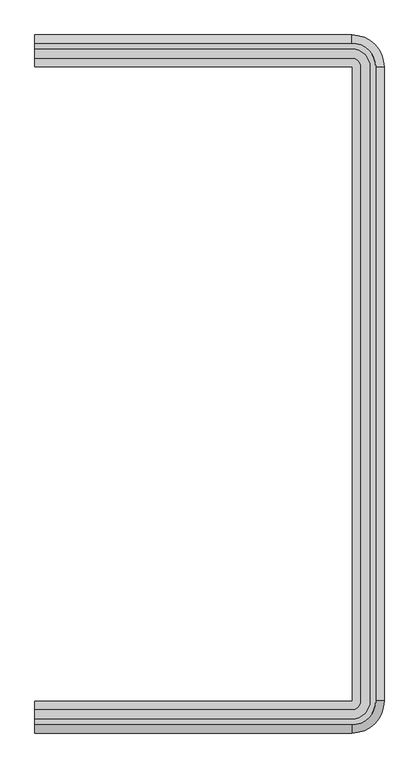
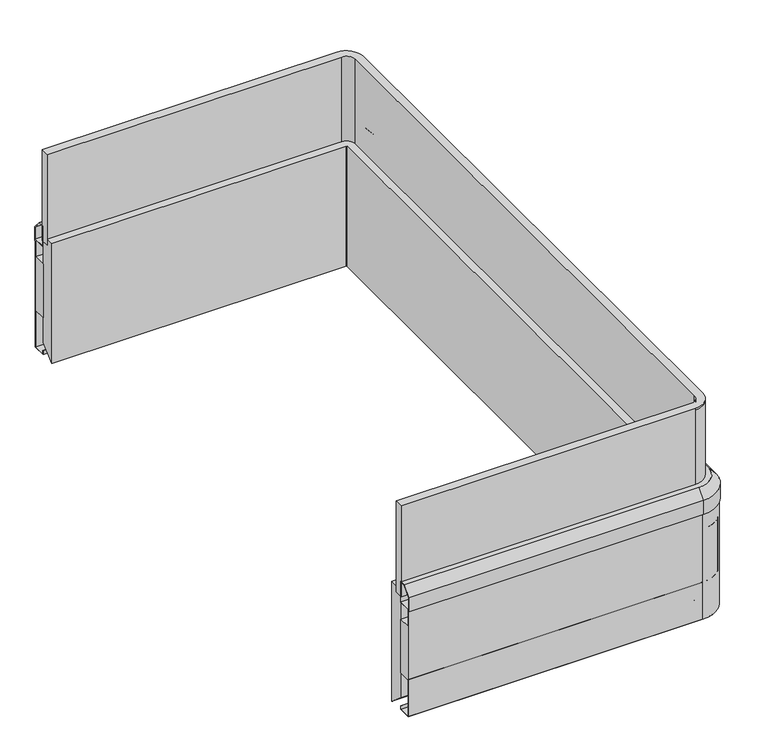
"""IFC4 building model written with IfcOpenShell, lengths in millimetres: proxy geometry."""

from ifc_helpers import new_model, si_unit, point, frame, origin, place, context, project, spatial, polyline, circle_curve, ellipse_curve, trimmed, source, transform, mapped, element, save
from ifc_brep_helpers import plane_surface, cylinder_surface, revolved_surface, advanced_brep


def mechanical_equipment_51859514(model_context):
    return source(origin(), model_context, "Body", "AdvancedBrep", [
        advanced_brep(
        [(2438.4, -2494.5771081, 392.9987975), (2438.4, -2496.2281081, 394.6497975), (2438.4, -2496.2281081, 576.3169666), (2438.4, -2454.774197, 576.3169666), (2438.4, -2454.774197, 392.9987975), (2438.4, -413.4657465, 392.9987975), (2438.4, -453.2686576, 392.9987975), (2438.4, -453.2686576, 576.3169666), (2438.4, -411.8147465, 576.3169666), (2438.4, -411.8147465, 394.6497975), (3388.995, -2494.5771081, 392.9987975), (3388.995, -2496.2281081, 394.6497975), (3388.995, -2496.2281081, 576.3169666), (3482.1941808, -2403.0289273, 576.3169666), (3482.1941808, -505.0139273, 576.3169666), (3388.995, -411.8147465, 576.3169666), (3388.995, -453.2686576, 576.3169666), (3440.7402697, -505.0139273, 576.3169666), (3440.7402697, -2403.0289273, 576.3169666), (3388.995, -2454.774197, 576.3169666), (3388.995, -2454.774197, 392.9987975), (3440.7402697, -2403.0289273, 392.9987975), (3440.7402697, -505.0139273, 392.9987975), (3388.995, -453.2686576, 392.9987975), (3388.995, -413.4657465, 392.9987975), (3480.5431808, -505.0139273, 392.9987975), (3480.5431808, -2403.0289273, 392.9987975), (3482.1941808, -2403.0289273, 394.6497975), (3482.1941808, -505.0139273, 394.6497975), (3388.995, -411.8147465, 394.6497975)],
        [
            (0, 1, circle_curve(frame((2438.4, -2494.5771081, 394.6497975), z_axis=(-1.0, 0.0, 0.0), x_axis=(0.0, 1.0, 0.0)), 1.651)),
            (1, 2),
            (2, 3),
            (3, 4),
            (4, 0),
            (5, 6),
            (6, 7),
            (7, 8),
            (8, 9),
            (9, 5, circle_curve(frame((2438.4, -413.4657465, 394.6497975), z_axis=(-1.0, 0.0, 0.0), x_axis=(0.0, -1.0, 0.0)), 1.651)),
            (0, 10),
            (10, 11, circle_curve(frame((3388.995, -2494.5771081, 394.6497975), z_axis=(-1.0, 0.0, 0.0), x_axis=(0.0, 1.0, 0.0)), 1.651)),
            (11, 1),
            (11, 12),
            (12, 2),
            (12, 13, circle_curve(frame((3388.995, -2403.0289273, 576.3169666), z_axis=(0.0, 0.0, 1.0), x_axis=(0.0, -1.0, 0.0)), 93.1991808)),
            (13, 14),
            (14, 15, circle_curve(frame((3388.995, -505.0139273, 576.3169666), z_axis=(0.0, 0.0, 1.0), x_axis=(1.0, 0.0, 0.0)), 93.1991808)),
            (15, 8),
            (7, 16),
            (16, 17, circle_curve(frame((3388.995, -505.0139273, 576.3169666), z_axis=(0.0, 0.0, -1.0), x_axis=(1.0, 0.0, 0.0)), 51.7452697)),
            (17, 18),
            (18, 19, circle_curve(frame((3388.995, -2403.0289273, 576.3169666), z_axis=(0.0, 0.0, -1.0), x_axis=(0.0, -1.0, 0.0)), 51.7452697)),
            (19, 3),
            (19, 20),
            (20, 4),
            (20, 21, circle_curve(frame((3388.995, -2403.0289273, 392.9987975), z_axis=(0.0, 0.0, 1.0), x_axis=(0.0, -1.0, 0.0)), 51.7452697)),
            (21, 22),
            (22, 23, circle_curve(frame((3388.995, -505.0139273, 392.9987975), z_axis=(0.0, 0.0, 1.0), x_axis=(1.0, 0.0, 0.0)), 51.7452697)),
            (23, 6),
            (5, 24),
            (24, 25, circle_curve(frame((3388.995, -505.0139273, 392.9987975), z_axis=(0.0, 0.0, -1.0), x_axis=(1.0, 0.0, 0.0)), 91.5481808)),
            (25, 26),
            (26, 10, circle_curve(frame((3388.995, -2403.0289273, 392.9987975), z_axis=(0.0, 0.0, -1.0), x_axis=(0.0, -1.0, 0.0)), 91.5481808)),
            (27, 11, circle_curve(frame((3388.995, -2403.0289273, 394.6497975), z_axis=(0.0, 0.0, -1.0), x_axis=(0.0, -1.0, 0.0)), 93.1991808)),
            (26, 27, circle_curve(frame((3480.5431808, -2403.0289273, 394.6497975), z_axis=(0.0, -1.0, 0.0), x_axis=(-1.0, 0.0, 0.0)), 1.651)),
            (27, 13),
            (18, 21),
            (25, 28, circle_curve(frame((3480.5431808, -505.0139273, 394.6497975), z_axis=(0.0, -1.0, 0.0), x_axis=(-1.0, 0.0, 0.0)), 1.651)),
            (28, 27),
            (28, 14),
            (17, 22),
            (29, 28, circle_curve(frame((3388.995, -505.0139273, 394.6497975), z_axis=(0.0, 0.0, -1.0), x_axis=(1.0, 0.0, 0.0)), 93.1991808)),
            (24, 29, circle_curve(frame((3388.995, -413.4657465, 394.6497975), z_axis=(1.0, 0.0, 0.0), x_axis=(0.0, -1.0, 0.0)), 1.651)),
            (29, 15),
            (16, 23),
            (9, 29),
        ],
        [
            plane_surface(frame((2438.4, -2522.4089273, 1346.2), z_axis=(-1.0, 0.0, 0.0), x_axis=(0.0, 0.0, 1.0))),
            plane_surface(frame((2438.4, -385.6339273, 1346.2), z_axis=(-1.0, 0.0, 0.0), x_axis=(0.0, 0.0, 1.0))),
            cylinder_surface(frame((2438.4, -2494.5771081, 394.6497975), z_axis=(-1.0, 0.0, 0.0), x_axis=(0.0, 1.0, 0.0)), 1.651),
            plane_surface(frame((2438.4, -2496.2281081, 394.6497975), z_axis=(0.0, -1.0, 0.0), x_axis=(1.0, 0.0, 0.0))),
            plane_surface(frame((2438.4, -2496.2281081, 576.3169666), z_axis=(0.0, 0.0, 1.0), x_axis=(1.0, 0.0, 0.0))),
            plane_surface(frame((2438.4, -2454.774197, 576.3169666), z_axis=(0.0, 1.0, 0.0), x_axis=(1.0, 0.0, 0.0))),
            plane_surface(frame((2438.4, -2454.774197, 392.9987975), z_axis=(0.0, 0.0, -1.0), x_axis=(1.0, 0.0, 0.0))),
            revolved_surface(trimmed(ellipse_curve(frame((3388.995, -2494.5771081, 394.6497975), z_axis=(-1.0, 0.0, 0.0), x_axis=(0.0, 1.0, 0.0)), 1.651, 1.651), [point((3388.995, -2494.5771081, 392.9987975))], [point((3388.995, -2496.2281081, 394.6497975))], True, "CARTESIAN"), (3388.995, -2403.0289273, 1346.2), (0.0, 0.0, 1.0)),
            cylinder_surface(frame((3388.995, -2403.0289273, 1346.2), z_axis=(0.0, 0.0, 1.0), x_axis=(0.0, -1.0, 0.0)), 93.1991808),
            revolved_surface(polyline([(3388.995, -2454.7741969999997, 576.3169666), (3388.995, -2454.7741969999997, 392.9987975)]), (3388.995, -2403.0289273, 1346.2), (0.0, 0.0, 1.0)),
            cylinder_surface(frame((3480.5431808, -2403.0289273, 394.6497975), z_axis=(0.0, -1.0, 0.0), x_axis=(-1.0, 0.0, 0.0)), 1.651),
            plane_surface(frame((3482.1941808, -2403.0289273, 394.6497975), z_axis=(1.0, 0.0, 0.0), x_axis=(0.0, 1.0, 0.0))),
            plane_surface(frame((3440.7402697, -2403.0289273, 576.3169666), z_axis=(-1.0, 0.0, 0.0), x_axis=(0.0, 1.0, 0.0))),
            revolved_surface(trimmed(ellipse_curve(frame((3480.5431808, -505.0139273, 394.6497975), z_axis=(0.0, -1.0, 0.0), x_axis=(-1.0, 0.0, 0.0)), 1.651, 1.651), [point((3480.5431808, -505.0139273, 392.9987975))], [point((3482.1941808, -505.0139273, 394.6497975))], True, "CARTESIAN"), (3388.995, -505.0139273, 1346.2), (0.0, 0.0, 1.0)),
            cylinder_surface(frame((3388.995, -505.0139273, 1346.2), z_axis=(0.0, 0.0, 1.0), x_axis=(1.0, 0.0, 0.0)), 93.1991808),
            revolved_surface(polyline([(3440.7402696999998, -505.0139273, 576.3169666), (3440.7402696999998, -505.0139273, 392.9987975)]), (3388.995, -505.0139273, 1346.2), (0.0, 0.0, 1.0)),
            cylinder_surface(frame((3388.995, -413.4657465, 394.6497975), z_axis=(1.0, 0.0, 0.0), x_axis=(0.0, -1.0, 0.0)), 1.651),
            plane_surface(frame((3388.995, -411.8147465, 394.6497975), z_axis=(0.0, 1.0, 0.0), x_axis=(-1.0, 0.0, 0.0))),
            plane_surface(frame((3388.995, -453.2686576, 576.3169666), z_axis=(0.0, -1.0, 0.0), x_axis=(-1.0, 0.0, 0.0))),
        ],
        [
            (0, [[1, 2, 3, 4, 5]]),
            (1, [[6, 7, 8, 9, 10]]),
            (2, [[-1, 11, 12, 13]]),
            (3, [[-2, -13, 14, 15]]),
            (4, [[-3, -15, 16, 17, 18, 19, -8, 20, 21, 22, 23, 24]]),
            (5, [[-4, -24, 25, 26]]),
            (6, [[-5, -26, 27, 28, 29, 30, -6, 31, 32, 33, 34, -11]]),
            (7, [[35, -12, -34, 36]]),
            (8, [[-16, -14, -35, 37]]),
            (9, [[-27, -25, -23, 38]]),
            (10, [[-36, -33, 39, 40]]),
            (11, [[-37, -40, 41, -17]]),
            (12, [[-38, -22, 42, -28]]),
            (13, [[43, -39, -32, 44]]),
            (14, [[-18, -41, -43, 45]]),
            (15, [[-29, -42, -21, 46]]),
            (16, [[-44, -31, -10, 47]]),
            (17, [[-45, -47, -9, -19]]),
            (18, [[-46, -20, -7, -30]]),
        ],
    ),
        advanced_brep(
        [(2438.4, -2500.0693803, 628.600468), (2438.4, -2500.0693803, 676.1865927), (2438.4, -2475.5465522, 705.4117613), (2438.4, -2455.4992463, 705.4117613), (2438.4, -2455.4992463, 634.899668), (2438.4, -2495.9219601, 634.899668), (2438.4, -2495.9219601, 268.326868), (2438.4, -2455.5867601, 268.326868), (2438.4, -2455.5867601, 280.163268), (2438.4, -2454.7231601, 280.163268), (2438.4, -2454.7231601, 267.463268), (2438.4, -2496.7855601, 267.463268), (2438.4, -2496.7855601, 635.763268), (2438.4, -2456.3628463, 635.763268), (2438.4, -2456.3628463, 704.6751613), (2438.4, -2475.20307, 704.6751613), (2438.4, -2499.0303348, 676.2789328), (2438.4, -2499.0303348, 628.600468), (2438.4, -407.9734743, 628.600468), (2438.4, -409.0125198, 628.600468), (2438.4, -409.0125198, 676.2789328), (2438.4, -432.8397846, 704.6751613), (2438.4, -451.6800083, 704.6751613), (2438.4, -451.6800083, 635.763268), (2438.4, -411.2572945, 635.763268), (2438.4, -411.2572945, 267.463268), (2438.4, -453.3196945, 267.463268), (2438.4, -453.3196945, 280.163268), (2438.4, -452.4560945, 280.163268), (2438.4, -452.4560945, 268.326868), (2438.4, -412.1208945, 268.326868), (2438.4, -412.1208945, 634.899668), (2438.4, -452.5436083, 634.899668), (2438.4, -452.5436083, 705.4117613), (2438.4, -432.4963024, 705.4117613), (2438.4, -407.9734743, 676.1865927), (3388.995, -2499.0303348, 628.600468), (3484.9964075, -2403.0289273, 628.600468), (3484.9964075, -505.0139273, 628.600468), (3388.995, -409.0125198, 628.600468), (3388.995, -407.9734743, 628.600468), (3486.035453, -505.0139273, 628.600468), (3486.035453, -2403.0289273, 628.600468), (3388.995, -2500.0693803, 628.600468), (3388.995, -2500.0693803, 676.1865927), (3388.995, -2475.5465522, 705.4117613), (3461.5126249, -2403.0289273, 705.4117613), (3461.5126249, -505.0139273, 705.4117613), (3388.995, -432.4963024, 705.4117613), (3388.995, -452.5436083, 705.4117613), (3441.465319, -505.0139273, 705.4117613), (3441.465319, -2403.0289273, 705.4117613), (3388.995, -2455.4992463, 705.4117613), (3388.995, -2455.4992463, 634.899668), (3441.465319, -2403.0289273, 634.899668), (3441.465319, -505.0139273, 634.899668), (3388.995, -452.5436083, 634.899668), (3388.995, -412.1208945, 634.899668), (3481.8880328, -505.0139273, 634.899668), (3481.8880328, -2403.0289273, 634.899668), (3388.995, -2495.9219601, 634.899668), (3388.995, -2495.9219601, 268.326868), (3481.8880328, -2403.0289273, 268.326868), (3481.8880328, -505.0139273, 268.326868), (3388.995, -412.1208945, 268.326868), (3388.995, -452.4560945, 268.326868), (3441.5528328, -505.0139273, 268.326868), (3441.5528328, -2403.0289273, 268.326868), (3388.995, -2455.5867601, 268.326868), (3388.995, -2455.5867601, 280.163268), (3441.5528328, -2403.0289273, 280.163268), (3441.5528328, -505.0139273, 280.163268), (3388.995, -452.4560945, 280.163268), (3388.995, -453.3196945, 280.163268), (3440.6892328, -505.0139273, 280.163268), (3440.6892328, -2403.0289273, 280.163268), (3388.995, -2454.7231601, 280.163268), (3388.995, -2454.7231601, 267.463268), (3440.6892328, -2403.0289273, 267.463268), (3440.6892328, -505.0139273, 267.463268), (3388.995, -453.3196945, 267.463268), (3388.995, -411.2572945, 267.463268), (3482.7516328, -505.0139273, 267.463268), (3482.7516328, -2403.0289273, 267.463268), (3388.995, -2496.7855601, 267.463268), (3388.995, -2496.7855601, 635.763268), (3482.7516328, -2403.0289273, 635.763268), (3482.7516328, -505.0139273, 635.763268), (3388.995, -411.2572945, 635.763268), (3388.995, -451.6800083, 635.763268), (3442.328919, -505.0139273, 635.763268), (3442.328919, -2403.0289273, 635.763268), (3388.995, -2456.3628463, 635.763268), (3388.995, -2456.3628463, 704.6751613), (3442.328919, -2403.0289273, 704.6751613), (3442.328919, -505.0139273, 704.6751613), (3388.995, -451.6800083, 704.6751613), (3388.995, -432.8397846, 704.6751613), (3461.1691427, -505.0139273, 704.6751613), (3461.1691427, -2403.0289273, 704.6751613), (3388.995, -2475.20307, 704.6751613), (3388.995, -2499.0303348, 676.2789328), (3486.035453, -2403.0289273, 676.1865927), (3484.9964075, -2403.0289273, 676.2789328), (3486.035453, -505.0139273, 676.1865927), (3484.9964075, -505.0139273, 676.2789328), (3388.995, -407.9734743, 676.1865927), (3388.995, -409.0125198, 676.2789328)],
        [
            (0, 1),
            (1, 2),
            (2, 3),
            (3, 4),
            (4, 5),
            (5, 6),
            (6, 7),
            (7, 8),
            (8, 9),
            (9, 10),
            (10, 11),
            (11, 12),
            (12, 13),
            (13, 14),
            (14, 15),
            (15, 16),
            (16, 17),
            (17, 0),
            (18, 19),
            (19, 20),
            (20, 21),
            (21, 22),
            (22, 23),
            (23, 24),
            (24, 25),
            (25, 26),
            (26, 27),
            (27, 28),
            (28, 29),
            (29, 30),
            (30, 31),
            (31, 32),
            (32, 33),
            (33, 34),
            (34, 35),
            (35, 18),
            (17, 36),
            (36, 37, circle_curve(frame((3388.995, -2403.0289273, 628.600468), z_axis=(0.0, 0.0, 1.0), x_axis=(0.0, -1.0, 0.0)), 96.0014075)),
            (37, 38),
            (38, 39, circle_curve(frame((3388.995, -505.0139273, 628.600468), z_axis=(0.0, 0.0, 1.0), x_axis=(1.0, 0.0, 0.0)), 96.0014075)),
            (39, 19),
            (18, 40),
            (40, 41, circle_curve(frame((3388.995, -505.0139273, 628.600468), z_axis=(0.0, 0.0, -1.0), x_axis=(1.0, 0.0, 0.0)), 97.040453)),
            (41, 42),
            (42, 43, circle_curve(frame((3388.995, -2403.0289273, 628.600468), z_axis=(0.0, 0.0, -1.0), x_axis=(0.0, -1.0, 0.0)), 97.040453)),
            (43, 0),
            (43, 44),
            (44, 1),
            (44, 45),
            (45, 2),
            (45, 46, circle_curve(frame((3388.995, -2403.0289273, 705.4117613), z_axis=(0.0, 0.0, 1.0), x_axis=(0.0, -1.0, 0.0)), 72.5176249)),
            (46, 47),
            (47, 48, circle_curve(frame((3388.995, -505.0139273, 705.4117613), z_axis=(0.0, 0.0, 1.0), x_axis=(1.0, 0.0, 0.0)), 72.5176249)),
            (48, 34),
            (33, 49),
            (49, 50, circle_curve(frame((3388.995, -505.0139273, 705.4117613), z_axis=(0.0, 0.0, -1.0), x_axis=(1.0, 0.0, 0.0)), 52.470319)),
            (50, 51),
            (51, 52, circle_curve(frame((3388.995, -2403.0289273, 705.4117613), z_axis=(0.0, 0.0, -1.0), x_axis=(0.0, -1.0, 0.0)), 52.470319)),
            (52, 3),
            (52, 53),
            (53, 4),
            (53, 54, circle_curve(frame((3388.995, -2403.0289273, 634.899668), z_axis=(0.0, 0.0, 1.0), x_axis=(0.0, -1.0, 0.0)), 52.470319)),
            (54, 55),
            (55, 56, circle_curve(frame((3388.995, -505.0139273, 634.899668), z_axis=(0.0, 0.0, 1.0), x_axis=(1.0, 0.0, 0.0)), 52.470319)),
            (56, 32),
            (31, 57),
            (57, 58, circle_curve(frame((3388.995, -505.0139273, 634.899668), z_axis=(0.0, 0.0, -1.0), x_axis=(1.0, 0.0, 0.0)), 92.8930328)),
            (58, 59),
            (59, 60, circle_curve(frame((3388.995, -2403.0289273, 634.899668), z_axis=(0.0, 0.0, -1.0), x_axis=(0.0, -1.0, 0.0)), 92.8930328)),
            (60, 5),
            (60, 61),
            (61, 6),
            (61, 62, circle_curve(frame((3388.995, -2403.0289273, 268.326868), z_axis=(0.0, 0.0, 1.0), x_axis=(0.0, -1.0, 0.0)), 92.8930328)),
            (62, 63),
            (63, 64, circle_curve(frame((3388.995, -505.0139273, 268.326868), z_axis=(0.0, 0.0, 1.0), x_axis=(1.0, 0.0, 0.0)), 92.8930328)),
            (64, 30),
            (29, 65),
            (65, 66, circle_curve(frame((3388.995, -505.0139273, 268.326868), z_axis=(0.0, 0.0, -1.0), x_axis=(1.0, 0.0, 0.0)), 52.5578328)),
            (66, 67),
            (67, 68, circle_curve(frame((3388.995, -2403.0289273, 268.326868), z_axis=(0.0, 0.0, -1.0), x_axis=(0.0, -1.0, 0.0)), 52.5578328)),
            (68, 7),
            (68, 69),
            (69, 8),
            (69, 70, circle_curve(frame((3388.995, -2403.0289273, 280.163268), z_axis=(0.0, 0.0, 1.0), x_axis=(0.0, -1.0, 0.0)), 52.5578328)),
            (70, 71),
            (71, 72, circle_curve(frame((3388.995, -505.0139273, 280.163268), z_axis=(0.0, 0.0, 1.0), x_axis=(1.0, 0.0, 0.0)), 52.5578328)),
            (72, 28),
            (27, 73),
            (73, 74, circle_curve(frame((3388.995, -505.0139273, 280.163268), z_axis=(0.0, 0.0, -1.0), x_axis=(1.0, 0.0, 0.0)), 51.6942328)),
            (74, 75),
            (75, 76, circle_curve(frame((3388.995, -2403.0289273, 280.163268), z_axis=(0.0, 0.0, -1.0), x_axis=(0.0, -1.0, 0.0)), 51.6942328)),
            (76, 9),
            (76, 77),
            (77, 10),
            (77, 78, circle_curve(frame((3388.995, -2403.0289273, 267.463268), z_axis=(0.0, 0.0, 1.0), x_axis=(0.0, -1.0, 0.0)), 51.6942328)),
            (78, 79),
            (79, 80, circle_curve(frame((3388.995, -505.0139273, 267.463268), z_axis=(0.0, 0.0, 1.0), x_axis=(1.0, 0.0, 0.0)), 51.6942328)),
            (80, 26),
            (25, 81),
            (81, 82, circle_curve(frame((3388.995, -505.0139273, 267.463268), z_axis=(0.0, 0.0, -1.0), x_axis=(1.0, 0.0, 0.0)), 93.7566328)),
            (82, 83),
            (83, 84, circle_curve(frame((3388.995, -2403.0289273, 267.463268), z_axis=(0.0, 0.0, -1.0), x_axis=(0.0, -1.0, 0.0)), 93.7566328)),
            (84, 11),
            (84, 85),
            (85, 12),
            (85, 86, circle_curve(frame((3388.995, -2403.0289273, 635.763268), z_axis=(0.0, 0.0, 1.0), x_axis=(0.0, -1.0, 0.0)), 93.7566328)),
            (86, 87),
            (87, 88, circle_curve(frame((3388.995, -505.0139273, 635.763268), z_axis=(0.0, 0.0, 1.0), x_axis=(1.0, 0.0, 0.0)), 93.7566328)),
            (88, 24),
            (23, 89),
            (89, 90, circle_curve(frame((3388.995, -505.0139273, 635.763268), z_axis=(0.0, 0.0, -1.0), x_axis=(1.0, 0.0, 0.0)), 53.333919)),
            (90, 91),
            (91, 92, circle_curve(frame((3388.995, -2403.0289273, 635.763268), z_axis=(0.0, 0.0, -1.0), x_axis=(0.0, -1.0, 0.0)), 53.333919)),
            (92, 13),
            (92, 93),
            (93, 14),
            (93, 94, circle_curve(frame((3388.995, -2403.0289273, 704.6751613), z_axis=(0.0, 0.0, 1.0), x_axis=(0.0, -1.0, 0.0)), 53.333919)),
            (94, 95),
            (95, 96, circle_curve(frame((3388.995, -505.0139273, 704.6751613), z_axis=(0.0, 0.0, 1.0), x_axis=(1.0, 0.0, 0.0)), 53.333919)),
            (96, 22),
            (21, 97),
            (97, 98, circle_curve(frame((3388.995, -505.0139273, 704.6751613), z_axis=(0.0, 0.0, -1.0), x_axis=(1.0, 0.0, 0.0)), 72.1741427)),
            (98, 99),
            (99, 100, circle_curve(frame((3388.995, -2403.0289273, 704.6751613), z_axis=(0.0, 0.0, -1.0), x_axis=(0.0, -1.0, 0.0)), 72.1741427)),
            (100, 15),
            (100, 101),
            (101, 16),
            (101, 36),
            (102, 44, circle_curve(frame((3388.995, -2403.0289273, 676.1865927), z_axis=(0.0, 0.0, -1.0), x_axis=(0.0, -1.0, 0.0)), 97.040453)),
            (42, 102),
            (102, 46),
            (51, 54),
            (59, 62),
            (67, 70),
            (75, 78),
            (83, 86),
            (91, 94),
            (103, 101, circle_curve(frame((3388.995, -2403.0289273, 676.2789328), z_axis=(0.0, 0.0, -1.0), x_axis=(0.0, -1.0, 0.0)), 96.0014075)),
            (99, 103),
            (103, 37),
            (41, 104),
            (104, 102),
            (104, 47),
            (50, 55),
            (58, 63),
            (66, 71),
            (74, 79),
            (82, 87),
            (90, 95),
            (98, 105),
            (105, 103),
            (105, 38),
            (106, 104, circle_curve(frame((3388.995, -505.0139273, 676.1865927), z_axis=(0.0, 0.0, -1.0), x_axis=(1.0, 0.0, 0.0)), 97.040453)),
            (40, 106),
            (106, 48),
            (49, 56),
            (57, 64),
            (65, 72),
            (73, 80),
            (81, 88),
            (89, 96),
            (107, 105, circle_curve(frame((3388.995, -505.0139273, 676.2789328), z_axis=(0.0, 0.0, -1.0), x_axis=(1.0, 0.0, 0.0)), 96.0014075)),
            (97, 107),
            (107, 39),
            (35, 106),
            (20, 107),
        ],
        [
            plane_surface(frame((2438.4, -2522.4089273, 1074.7375), z_axis=(-1.0, 0.0, 0.0), x_axis=(0.0, 0.0, 1.0))),
            plane_surface(frame((2438.4, -385.6339273, 1074.7375), z_axis=(-1.0, 0.0, 0.0), x_axis=(0.0, 0.0, 1.0))),
            plane_surface(frame((2438.4, -2499.0303348, 628.600468), z_axis=(0.0, 0.0, -1.0), x_axis=(1.0, 0.0, 0.0))),
            plane_surface(frame((2438.4, -2500.0693803, 628.600468), z_axis=(0.0, -1.0, 0.0), x_axis=(1.0, 0.0, 0.0))),
            plane_surface(frame((2438.4, -2500.0693803, 676.1865927), z_axis=(0.0, -0.766044443081643, 0.6427876097310337), x_axis=(1.0, 0.0, 0.0))),
            plane_surface(frame((2438.4, -2475.5465522, 705.4117613), z_axis=(0.0, 0.0, 1.0), x_axis=(1.0, 0.0, 0.0))),
            plane_surface(frame((2438.4, -2455.4992463, 705.4117613), z_axis=(0.0, 1.0, 0.0), x_axis=(1.0, 0.0, 0.0))),
            plane_surface(frame((2438.4, -2455.4992463, 634.899668), z_axis=(0.0, 0.0, -1.0), x_axis=(1.0, 0.0, 0.0))),
            plane_surface(frame((2438.4, -2495.9219601, 634.899668), z_axis=(0.0, 1.0, 0.0), x_axis=(1.0, 0.0, 0.0))),
            plane_surface(frame((2438.4, -2495.9219601, 268.326868), z_axis=(0.0, 0.0, 1.0), x_axis=(1.0, 0.0, 0.0))),
            plane_surface(frame((2438.4, -2455.5867601, 268.326868), z_axis=(0.0, -1.0, 0.0), x_axis=(1.0, 0.0, 0.0))),
            plane_surface(frame((2438.4, -2455.5867601, 280.163268), z_axis=(0.0, 0.0, 1.0), x_axis=(1.0, 0.0, 0.0))),
            plane_surface(frame((2438.4, -2454.7231601, 280.163268), z_axis=(0.0, 1.0, 0.0), x_axis=(1.0, 0.0, 0.0))),
            plane_surface(frame((2438.4, -2454.7231601, 267.463268), z_axis=(0.0, 0.0, -1.0), x_axis=(1.0, 0.0, 0.0))),
            plane_surface(frame((2438.4, -2496.7855601, 267.463268), z_axis=(0.0, -1.0, 0.0), x_axis=(1.0, 0.0, 0.0))),
            plane_surface(frame((2438.4, -2496.7855601, 635.763268), z_axis=(0.0, 0.0, 1.0), x_axis=(1.0, 0.0, 0.0))),
            plane_surface(frame((2438.4, -2456.3628463, 635.763268), z_axis=(0.0, -1.0, 0.0), x_axis=(1.0, 0.0, 0.0))),
            plane_surface(frame((2438.4, -2456.3628463, 704.6751613), z_axis=(0.0, 0.0, -1.0), x_axis=(1.0, 0.0, 0.0))),
            plane_surface(frame((2438.4, -2475.20307, 704.6751613), z_axis=(0.0, 0.7660444431440612, -0.6427876096566465), x_axis=(1.0, 0.0, 0.0))),
            plane_surface(frame((2438.4, -2499.0303348, 676.2789328), z_axis=(0.0, 1.0, 0.0), x_axis=(1.0, 0.0, 0.0))),
            cylinder_surface(frame((3388.995, -2403.0289273, 1074.7375), z_axis=(0.0, 0.0, 1.0), x_axis=(0.0, -1.0, 0.0)), 97.040453),
            revolved_surface(polyline([(3388.995, -2500.0693803, 676.1865927), (3388.995, -2475.5465522, 705.4117613)]), (3388.995, -2403.0289273, 1074.7375), (0.0, 0.0, 1.0)),
            revolved_surface(polyline([(3388.995, -2455.4992463, 705.4117613), (3388.995, -2455.4992463, 634.899668)]), (3388.995, -2403.0289273, 1074.7375), (0.0, 0.0, 1.0)),
            revolved_surface(polyline([(3388.995, -2495.9219601, 634.899668), (3388.995, -2495.9219601, 268.326868)]), (3388.995, -2403.0289273, 1074.7375), (0.0, 0.0, 1.0)),
            cylinder_surface(frame((3388.995, -2403.0289273, 1074.7375), z_axis=(0.0, 0.0, 1.0), x_axis=(0.0, -1.0, 0.0)), 52.5578328),
            revolved_surface(polyline([(3388.995, -2454.7231601, 280.163268), (3388.995, -2454.7231601, 267.46326799999997)]), (3388.995, -2403.0289273, 1074.7375), (0.0, 0.0, 1.0)),
            cylinder_surface(frame((3388.995, -2403.0289273, 1074.7375), z_axis=(0.0, 0.0, 1.0), x_axis=(0.0, -1.0, 0.0)), 93.7566328),
            cylinder_surface(frame((3388.995, -2403.0289273, 1074.7375), z_axis=(0.0, 0.0, 1.0), x_axis=(0.0, -1.0, 0.0)), 53.333919),
            revolved_surface(polyline([(3388.995, -2475.20307, 704.6751613), (3388.995, -2499.0303348, 676.2789328)]), (3388.995, -2403.0289273, 1074.7375), (0.0, 0.0, 1.0)),
            revolved_surface(polyline([(3388.995, -2499.0303347999998, 676.2789328), (3388.995, -2499.0303347999998, 628.600468)]), (3388.995, -2403.0289273, 1074.7375), (0.0, 0.0, 1.0)),
            plane_surface(frame((3486.035453, -2403.0289273, 628.600468), z_axis=(1.0, 0.0, 0.0), x_axis=(0.0, 1.0, 0.0))),
            plane_surface(frame((3486.035453, -2403.0289273, 676.1865927), z_axis=(0.766044443081643, 0.0, 0.6427876097310337), x_axis=(0.0, 1.0, 0.0))),
            plane_surface(frame((3441.465319, -2403.0289273, 705.4117613), z_axis=(-1.0, 0.0, 0.0), x_axis=(0.0, 1.0, 0.0))),
            plane_surface(frame((3481.8880328, -2403.0289273, 634.899668), z_axis=(-1.0, 0.0, 0.0), x_axis=(0.0, 1.0, 0.0))),
            plane_surface(frame((3441.5528328, -2403.0289273, 268.326868), z_axis=(1.0, 0.0, 0.0), x_axis=(0.0, 1.0, 0.0))),
            plane_surface(frame((3440.6892328, -2403.0289273, 280.163268), z_axis=(-1.0, 0.0, 0.0), x_axis=(0.0, 1.0, 0.0))),
            plane_surface(frame((3482.7516328, -2403.0289273, 267.463268), z_axis=(1.0, 0.0, 0.0), x_axis=(0.0, 1.0, 0.0))),
            plane_surface(frame((3442.328919, -2403.0289273, 635.763268), z_axis=(1.0, 0.0, 0.0), x_axis=(0.0, 1.0, 0.0))),
            plane_surface(frame((3461.1691427, -2403.0289273, 704.6751613), z_axis=(-0.7660444431440612, 0.0, -0.6427876096566465), x_axis=(0.0, 1.0, 0.0))),
            plane_surface(frame((3484.9964075, -2403.0289273, 676.2789328), z_axis=(-1.0, 0.0, 0.0), x_axis=(0.0, 1.0, 0.0))),
            cylinder_surface(frame((3388.995, -505.0139273, 1074.7375), z_axis=(0.0, 0.0, 1.0), x_axis=(1.0, 0.0, 0.0)), 97.040453),
            revolved_surface(polyline([(3486.035453, -505.0139273, 676.1865927), (3461.5126249, -505.0139273, 705.4117613)]), (3388.995, -505.0139273, 1074.7375), (0.0, 0.0, 1.0)),
            revolved_surface(polyline([(3441.465319, -505.0139273, 705.4117613), (3441.465319, -505.0139273, 634.899668)]), (3388.995, -505.0139273, 1074.7375), (0.0, 0.0, 1.0)),
            revolved_surface(polyline([(3481.8880328, -505.0139273, 634.899668), (3481.8880328, -505.0139273, 268.326868)]), (3388.995, -505.0139273, 1074.7375), (0.0, 0.0, 1.0)),
            cylinder_surface(frame((3388.995, -505.0139273, 1074.7375), z_axis=(0.0, 0.0, 1.0), x_axis=(1.0, 0.0, 0.0)), 52.5578328),
            revolved_surface(polyline([(3440.6892328, -505.0139273, 280.163268), (3440.6892328, -505.0139273, 267.46326799999997)]), (3388.995, -505.0139273, 1074.7375), (0.0, 0.0, 1.0)),
            cylinder_surface(frame((3388.995, -505.0139273, 1074.7375), z_axis=(0.0, 0.0, 1.0), x_axis=(1.0, 0.0, 0.0)), 93.7566328),
            cylinder_surface(frame((3388.995, -505.0139273, 1074.7375), z_axis=(0.0, 0.0, 1.0), x_axis=(1.0, 0.0, 0.0)), 53.333919),
            revolved_surface(polyline([(3461.1691427, -505.0139273, 704.6751613), (3484.9964075, -505.0139273, 676.2789328)]), (3388.995, -505.0139273, 1074.7375), (0.0, 0.0, 1.0)),
            revolved_surface(polyline([(3484.9964075, -505.0139273, 676.2789328), (3484.9964075, -505.0139273, 628.600468)]), (3388.995, -505.0139273, 1074.7375), (0.0, 0.0, 1.0)),
            plane_surface(frame((3388.995, -407.9734743, 628.600468), z_axis=(0.0, 1.0, 0.0), x_axis=(-1.0, 0.0, 0.0))),
            plane_surface(frame((3388.995, -407.9734743, 676.1865927), z_axis=(0.0, 0.766044443081643, 0.6427876097310337), x_axis=(-1.0, 0.0, 0.0))),
            plane_surface(frame((3388.995, -452.5436083, 705.4117613), z_axis=(0.0, -1.0, 0.0), x_axis=(-1.0, 0.0, 0.0))),
            plane_surface(frame((3388.995, -412.1208945, 634.899668), z_axis=(0.0, -1.0, 0.0), x_axis=(-1.0, 0.0, 0.0))),
            plane_surface(frame((3388.995, -452.4560945, 268.326868), z_axis=(0.0, 1.0, 0.0), x_axis=(-1.0, 0.0, 0.0))),
            plane_surface(frame((3388.995, -453.3196945, 280.163268), z_axis=(0.0, -1.0, 0.0), x_axis=(-1.0, 0.0, 0.0))),
            plane_surface(frame((3388.995, -411.2572945, 267.463268), z_axis=(0.0, 1.0, 0.0), x_axis=(-1.0, 0.0, 0.0))),
            plane_surface(frame((3388.995, -451.6800083, 635.763268), z_axis=(0.0, 1.0, 0.0), x_axis=(-1.0, 0.0, 0.0))),
            plane_surface(frame((3388.995, -432.8397846, 704.6751613), z_axis=(0.0, -0.7660444431440612, -0.6427876096566465), x_axis=(-1.0, 0.0, 0.0))),
            plane_surface(frame((3388.995, -409.0125198, 676.2789328), z_axis=(0.0, -1.0, 0.0), x_axis=(-1.0, 0.0, 0.0))),
        ],
        [
            (0, [[1, 2, 3, 4, 5, 6, 7, 8, 9, 10, 11, 12, 13, 14, 15, 16, 17, 18]]),
            (1, [[19, 20, 21, 22, 23, 24, 25, 26, 27, 28, 29, 30, 31, 32, 33, 34, 35, 36]]),
            (2, [[-18, 37, 38, 39, 40, 41, -19, 42, 43, 44, 45, 46]]),
            (3, [[-1, -46, 47, 48]]),
            (4, [[-2, -48, 49, 50]]),
            (5, [[-3, -50, 51, 52, 53, 54, -34, 55, 56, 57, 58, 59]]),
            (6, [[-4, -59, 60, 61]]),
            (7, [[-5, -61, 62, 63, 64, 65, -32, 66, 67, 68, 69, 70]]),
            (8, [[-6, -70, 71, 72]]),
            (9, [[-7, -72, 73, 74, 75, 76, -30, 77, 78, 79, 80, 81]]),
            (10, [[-8, -81, 82, 83]]),
            (11, [[-9, -83, 84, 85, 86, 87, -28, 88, 89, 90, 91, 92]]),
            (12, [[-10, -92, 93, 94]]),
            (13, [[-11, -94, 95, 96, 97, 98, -26, 99, 100, 101, 102, 103]]),
            (14, [[-12, -103, 104, 105]]),
            (15, [[-13, -105, 106, 107, 108, 109, -24, 110, 111, 112, 113, 114]]),
            (16, [[-14, -114, 115, 116]]),
            (17, [[-15, -116, 117, 118, 119, 120, -22, 121, 122, 123, 124, 125]]),
            (18, [[-16, -125, 126, 127]]),
            (19, [[-17, -127, 128, -37]]),
            (20, [[129, -47, -45, 130]]),
            (21, [[-51, -49, -129, 131]]),
            (22, [[-62, -60, -58, 132]]),
            (23, [[-73, -71, -69, 133]]),
            (24, [[-84, -82, -80, 134]]),
            (25, [[-95, -93, -91, 135]]),
            (26, [[-106, -104, -102, 136]]),
            (27, [[-117, -115, -113, 137]]),
            (28, [[138, -126, -124, 139]]),
            (29, [[-38, -128, -138, 140]]),
            (30, [[-130, -44, 141, 142]]),
            (31, [[-131, -142, 143, -52]]),
            (32, [[-132, -57, 144, -63]]),
            (33, [[-133, -68, 145, -74]]),
            (34, [[-134, -79, 146, -85]]),
            (35, [[-135, -90, 147, -96]]),
            (36, [[-136, -101, 148, -107]]),
            (37, [[-137, -112, 149, -118]]),
            (38, [[-139, -123, 150, 151]]),
            (39, [[-140, -151, 152, -39]]),
            (40, [[153, -141, -43, 154]]),
            (41, [[-53, -143, -153, 155]]),
            (42, [[-64, -144, -56, 156]]),
            (43, [[-75, -145, -67, 157]]),
            (44, [[-86, -146, -78, 158]]),
            (45, [[-97, -147, -89, 159]]),
            (46, [[-108, -148, -100, 160]]),
            (47, [[-119, -149, -111, 161]]),
            (48, [[162, -150, -122, 163]]),
            (49, [[-40, -152, -162, 164]]),
            (50, [[-154, -42, -36, 165]]),
            (51, [[-155, -165, -35, -54]]),
            (52, [[-156, -55, -33, -65]]),
            (53, [[-157, -66, -31, -76]]),
            (54, [[-158, -77, -29, -87]]),
            (55, [[-159, -88, -27, -98]]),
            (56, [[-160, -99, -25, -109]]),
            (57, [[-161, -110, -23, -120]]),
            (58, [[-163, -121, -21, 166]]),
            (59, [[-164, -166, -20, -41]]),
        ],
    ),
        advanced_brep(
        [(2438.4, -2430.6913456, 654.9211506), (2438.4, -2457.6455081, 654.9211506), (2438.4, -2457.6455081, 965.063979), (2438.4, -2430.6913456, 965.063979), (2438.4, -477.351509, 654.9211506), (2438.4, -477.351509, 965.063979), (2438.4, -450.3973465, 965.063979), (2438.4, -450.3973465, 654.9211506), (3388.995, -2430.6913456, 654.9211506), (3416.6574183, -2403.0289273, 654.9211506), (3416.6574183, -505.0139273, 654.9211506), (3388.995, -477.351509, 654.9211506), (3388.995, -450.3973465, 654.9211506), (3443.6115808, -505.0139273, 654.9211506), (3443.6115808, -2403.0289273, 654.9211506), (3388.995, -2457.6455081, 654.9211506), (3388.995, -2457.6455081, 959.7211506), (3388.995, -2457.6455081, 965.063979), (3388.995, -2430.6913456, 965.063979), (3443.6115808, -2403.0289273, 959.7211506), (3443.6115808, -2403.0289273, 965.063979), (3416.6574183, -2403.0289273, 965.063979), (3443.6115808, -505.0139273, 959.7211506), (3443.6115808, -505.0139273, 965.063979), (3416.6574183, -505.0139273, 965.063979), (3388.995, -450.3973465, 959.7211506), (3388.995, -450.3973465, 965.063979), (3388.995, -477.351509, 965.063979)],
        [
            (0, 1),
            (1, 2),
            (2, 3),
            (3, 0),
            (4, 5),
            (5, 6),
            (6, 7),
            (7, 4),
            (0, 8),
            (8, 9, circle_curve(frame((3388.995, -2403.0289273, 654.9211506), z_axis=(0.0, 0.0, 1.0), x_axis=(0.0, -1.0, 0.0)), 27.6624183)),
            (9, 10),
            (10, 11, circle_curve(frame((3388.995, -505.0139273, 654.9211506), z_axis=(0.0, 0.0, 1.0), x_axis=(1.0, 0.0, 0.0)), 27.6624183)),
            (11, 4),
            (7, 12),
            (12, 13, circle_curve(frame((3388.995, -505.0139273, 654.9211506), z_axis=(0.0, 0.0, -1.0), x_axis=(1.0, 0.0, 0.0)), 54.6165808)),
            (13, 14),
            (14, 15, circle_curve(frame((3388.995, -2403.0289273, 654.9211506), z_axis=(0.0, 0.0, -1.0), x_axis=(0.0, -1.0, 0.0)), 54.6165808)),
            (15, 1),
            (15, 16),
            (16, 17),
            (17, 2),
            (3, 18),
            (18, 8),
            (19, 16, circle_curve(frame((3388.995, -2403.0289273, 959.7211506), z_axis=(0.0, 0.0, -1.0), x_axis=(0.0, -1.0, 0.0)), 54.6165808)),
            (14, 19),
            (20, 17, circle_curve(frame((3388.995, -2403.0289273, 965.063979), z_axis=(0.0, 0.0, -1.0), x_axis=(0.0, -1.0, 0.0)), 54.6165808)),
            (19, 20),
            (18, 21, circle_curve(frame((3388.995, -2403.0289273, 965.063979), z_axis=(0.0, 0.0, 1.0), x_axis=(0.0, -1.0, 0.0)), 27.6624183)),
            (21, 9),
            (13, 22),
            (22, 23),
            (23, 20),
            (21, 24),
            (24, 10),
            (25, 22, circle_curve(frame((3388.995, -505.0139273, 959.7211506), z_axis=(0.0, 0.0, -1.0), x_axis=(1.0, 0.0, 0.0)), 54.6165808)),
            (12, 25),
            (26, 23, circle_curve(frame((3388.995, -505.0139273, 965.063979), z_axis=(0.0, 0.0, -1.0), x_axis=(1.0, 0.0, 0.0)), 54.6165808)),
            (25, 26),
            (24, 27, circle_curve(frame((3388.995, -505.0139273, 965.063979), z_axis=(0.0, 0.0, 1.0), x_axis=(1.0, 0.0, 0.0)), 27.6624183)),
            (27, 11),
            (6, 26),
            (27, 5),
        ],
        [
            plane_surface(frame((2438.4, -2522.4089273, 1092.2), z_axis=(-1.0, 0.0, 0.0), x_axis=(0.0, 0.0, 1.0))),
            plane_surface(frame((2438.4, -385.6339273, 1092.2), z_axis=(-1.0, 0.0, 0.0), x_axis=(0.0, 0.0, 1.0))),
            plane_surface(frame((2438.4, -2430.6913456, 654.9211506), z_axis=(0.0, 0.0, -1.0), x_axis=(1.0, 0.0, 0.0))),
            plane_surface(frame((2438.4, -2457.6455081, 959.7211506), z_axis=(0.0, -1.0, 0.0), x_axis=(1.0, 0.0, 0.0))),
            plane_surface(frame((2438.4, -2430.6913456, 965.063979), z_axis=(0.0, 1.0, 0.0), x_axis=(1.0, 0.0, 0.0))),
            cylinder_surface(frame((3388.995, -2403.0289273, 1092.2), z_axis=(0.0, 0.0, 1.0), x_axis=(0.0, -1.0, 0.0)), 54.6165808),
            revolved_surface(polyline([(3388.995, -2430.6913455999997, 965.063979), (3388.995, -2430.6913455999997, 654.9211506)]), (3388.995, -2403.0289273, 1092.2), (0.0, 0.0, 1.0)),
            plane_surface(frame((3443.6115808, -2403.0289273, 959.7211506), z_axis=(1.0, 0.0, 0.0), x_axis=(0.0, 1.0, 0.0))),
            plane_surface(frame((3416.6574183, -2403.0289273, 965.063979), z_axis=(-1.0, 0.0, 0.0), x_axis=(0.0, 1.0, 0.0))),
            cylinder_surface(frame((3388.995, -505.0139273, 1092.2), z_axis=(0.0, 0.0, 1.0), x_axis=(1.0, 0.0, 0.0)), 54.6165808),
            revolved_surface(polyline([(3416.6574183, -505.0139273, 965.063979), (3416.6574183, -505.0139273, 654.9211506)]), (3388.995, -505.0139273, 1092.2), (0.0, 0.0, 1.0)),
            plane_surface(frame((3388.995, -450.3973465, 959.7211506), z_axis=(0.0, 1.0, 0.0), x_axis=(-1.0, 0.0, 0.0))),
            plane_surface(frame((3388.995, -477.351509, 965.063979), z_axis=(0.0, -1.0, 0.0), x_axis=(-1.0, 0.0, 0.0))),
            plane_surface(frame((2438.4, -2457.6455081, 965.063979), z_axis=(0.0, 0.0, 1.0), x_axis=(1.0, 0.0, 0.0))),
        ],
        [
            (0, [[1, 2, 3, 4]]),
            (1, [[5, 6, 7, 8]]),
            (2, [[-1, 9, 10, 11, 12, 13, -8, 14, 15, 16, 17, 18]]),
            (3, [[-18, 19, 20, 21, -2]]),
            (4, [[-4, 22, 23, -9]]),
            (5, [[24, -19, -17, 25]]),
            (5, [[26, -20, -24, 27]]),
            (6, [[-10, -23, 28, 29]]),
            (7, [[-27, -25, -16, 30, 31, 32]]),
            (8, [[-29, 33, 34, -11]]),
            (9, [[35, -30, -15, 36]]),
            (9, [[37, -31, -35, 38]]),
            (10, [[-12, -34, 39, 40]]),
            (11, [[-38, -36, -14, -7, 41]]),
            (12, [[-40, 42, -5, -13]]),
            (13, [[-3, -21, -26, -32, -37, -41, -6, -42, -39, -33, -28, -22]]),
        ],
    ),
        advanced_brep(
        [(2438.4, -2454.774197, 676.255969), (2438.4, -2405.4344601, 676.255969), (2438.4, -2405.4344601, 265.8624645), (2438.4, -2454.774197, 307.1551845), (2438.4, -453.2686576, 676.255969), (2438.4, -453.2686576, 307.1551845), (2438.4, -502.6083945, 265.8624645), (2438.4, -502.6083945, 676.255969), (3388.995, -2405.4344601, 676.255969), (3388.995, -2405.4344601, 265.8624645), (3388.995, -2454.774197, 307.1551845), (3388.995, -2454.774197, 676.255969), (3391.4005328, -2403.0289273, 265.8624645), (3391.4005328, -2403.0289273, 676.255969), (3440.7402697, -2403.0289273, 307.1551845), (3440.7402697, -2403.0289273, 676.255969), (3391.4005328, -505.0139273, 676.255969), (3391.4005328, -505.0139273, 265.8624645), (3440.7402697, -505.0139273, 307.1551845), (3440.7402697, -505.0139273, 676.255969), (3388.995, -502.6083945, 265.8624645), (3388.995, -502.6083945, 676.255969), (3388.995, -453.2686576, 307.1551845), (3388.995, -453.2686576, 676.255969)],
        [
            (0, 1),
            (1, 2),
            (2, 3),
            (3, 0),
            (4, 5),
            (5, 6),
            (6, 7),
            (7, 4),
            (1, 8),
            (8, 9),
            (9, 2),
            (9, 10),
            (10, 3),
            (10, 11),
            (11, 0),
            (12, 9, circle_curve(frame((3388.995, -2403.0289273, 265.8624645), z_axis=(0.0, 0.0, -1.0), x_axis=(0.0, -1.0, 0.0)), 2.4055328)),
            (8, 13, circle_curve(frame((3388.995, -2403.0289273, 676.255969), z_axis=(0.0, 0.0, 1.0), x_axis=(0.0, -1.0, 0.0)), 2.4055328)),
            (13, 12),
            (14, 10, circle_curve(frame((3388.995, -2403.0289273, 307.1551845), z_axis=(0.0, 0.0, -1.0), x_axis=(0.0, -1.0, 0.0)), 51.7452697)),
            (12, 14),
            (15, 11, circle_curve(frame((3388.995, -2403.0289273, 676.255969), z_axis=(0.0, 0.0, -1.0), x_axis=(0.0, -1.0, 0.0)), 51.7452697)),
            (14, 15),
            (13, 16),
            (16, 17),
            (17, 12),
            (17, 18),
            (18, 14),
            (18, 19),
            (19, 15),
            (20, 17, circle_curve(frame((3388.995, -505.0139273, 265.8624645), z_axis=(0.0, 0.0, -1.0), x_axis=(1.0, 0.0, 0.0)), 2.4055328)),
            (16, 21, circle_curve(frame((3388.995, -505.0139273, 676.255969), z_axis=(0.0, 0.0, 1.0), x_axis=(1.0, 0.0, 0.0)), 2.4055328)),
            (21, 20),
            (22, 18, circle_curve(frame((3388.995, -505.0139273, 307.1551845), z_axis=(0.0, 0.0, -1.0), x_axis=(1.0, 0.0, 0.0)), 51.7452697)),
            (20, 22),
            (23, 19, circle_curve(frame((3388.995, -505.0139273, 676.255969), z_axis=(0.0, 0.0, -1.0), x_axis=(1.0, 0.0, 0.0)), 51.7452697)),
            (22, 23),
            (21, 7),
            (6, 20),
            (5, 22),
            (4, 23),
        ],
        [
            plane_surface(frame((2438.4, -2522.4089273, 838.2), z_axis=(-1.0, 0.0, 0.0), x_axis=(0.0, 0.0, 1.0))),
            plane_surface(frame((2438.4, -385.6339273, 838.2), z_axis=(-1.0, 0.0, 0.0), x_axis=(0.0, 0.0, 1.0))),
            plane_surface(frame((2438.4, -2405.4344601, 676.255969), z_axis=(0.0, 1.0, 0.0), x_axis=(1.0, 0.0, 0.0))),
            plane_surface(frame((2438.4, -2405.4344601, 265.8624645), z_axis=(0.0, -0.6417998830684712, -0.7668721602022703), x_axis=(1.0, 0.0, 0.0))),
            plane_surface(frame((2438.4, -2454.774197, 307.1551845), z_axis=(0.0, -1.0, 0.0), x_axis=(1.0, 0.0, 0.0))),
            revolved_surface(polyline([(3388.995, -2405.4344601, 676.255969), (3388.995, -2405.4344601, 265.8624645)]), (3388.995, -2403.0289273, 838.2), (0.0, 0.0, 1.0)),
            revolved_surface(polyline([(3388.995, -2405.4344601, 265.8624645), (3388.995, -2454.774197, 307.1551845)]), (3388.995, -2403.0289273, 838.2), (0.0, 0.0, 1.0)),
            cylinder_surface(frame((3388.995, -2403.0289273, 838.2), z_axis=(0.0, 0.0, 1.0), x_axis=(0.0, -1.0, 0.0)), 51.7452697),
            plane_surface(frame((3391.4005328, -2403.0289273, 676.255969), z_axis=(-1.0, 0.0, 0.0), x_axis=(0.0, 1.0, 0.0))),
            plane_surface(frame((3391.4005328, -2403.0289273, 265.8624645), z_axis=(0.6417998830684712, 0.0, -0.7668721602022703), x_axis=(0.0, 1.0, 0.0))),
            plane_surface(frame((3440.7402697, -2403.0289273, 307.1551845), z_axis=(1.0, 0.0, 0.0), x_axis=(0.0, 1.0, 0.0))),
            revolved_surface(polyline([(3391.4005328, -505.0139273, 676.255969), (3391.4005328, -505.0139273, 265.8624645)]), (3388.995, -505.0139273, 838.2), (0.0, 0.0, 1.0)),
            revolved_surface(polyline([(3391.4005328, -505.0139273, 265.8624645), (3440.7402697, -505.0139273, 307.1551845)]), (3388.995, -505.0139273, 838.2), (0.0, 0.0, 1.0)),
            cylinder_surface(frame((3388.995, -505.0139273, 838.2), z_axis=(0.0, 0.0, 1.0), x_axis=(1.0, 0.0, 0.0)), 51.7452697),
            plane_surface(frame((3388.995, -502.6083945, 676.255969), z_axis=(0.0, -1.0, 0.0), x_axis=(-1.0, 0.0, 0.0))),
            plane_surface(frame((3388.995, -502.6083945, 265.8624645), z_axis=(0.0, 0.6417998830684712, -0.7668721602022703), x_axis=(-1.0, 0.0, 0.0))),
            plane_surface(frame((3388.995, -453.2686576, 307.1551845), z_axis=(0.0, 1.0, 0.0), x_axis=(-1.0, 0.0, 0.0))),
            plane_surface(frame((2438.4, -2454.774197, 676.255969), z_axis=(0.0, 0.0, 1.0), x_axis=(1.0, 0.0, 0.0))),
        ],
        [
            (0, [[1, 2, 3, 4]]),
            (1, [[5, 6, 7, 8]]),
            (2, [[-2, 9, 10, 11]]),
            (3, [[-3, -11, 12, 13]]),
            (4, [[-4, -13, 14, 15]]),
            (5, [[16, -10, 17, 18]]),
            (6, [[19, -12, -16, 20]]),
            (7, [[21, -14, -19, 22]]),
            (8, [[-18, 23, 24, 25]]),
            (9, [[-20, -25, 26, 27]]),
            (10, [[-22, -27, 28, 29]]),
            (11, [[30, -24, 31, 32]]),
            (12, [[33, -26, -30, 34]]),
            (13, [[35, -28, -33, 36]]),
            (14, [[-32, 37, -7, 38]]),
            (15, [[-34, -38, -6, 39]]),
            (16, [[-36, -39, -5, 40]]),
            (17, [[-1, -15, -21, -29, -35, -40, -8, -37, -31, -23, -17, -9]]),
        ],
    ),
    ])


if __name__ == "__main__":
    model = new_model("IFC4")
    model_context = context("Model", 3, world=origin())
    ifc_project = project(units=[si_unit("LENGTHUNIT", "METRE", prefix="MILLI")], contexts=[model_context])
    site = spatial("IfcSite", under=ifc_project)
    building = spatial("IfcBuilding", under=site)
    placement = place(None, origin())
    mechanical_equipment_shape = mechanical_equipment_51859514(model_context)
    element("IfcBuildingElementProxy", 1, Name="Mechanical Equipment", at=placement, inside=building, context=model_context, shape_type="MappedRepresentation", body=[
        mapped(mechanical_equipment_shape, transform((0.0, 0.0, 0.0), x_axis=(1.0, 0.0, 0.0), y_axis=(0.0, 1.0, 0.0), z_axis=(0.0, 0.0, 1.0))),
    ])
    save(model, "model.ifc")
